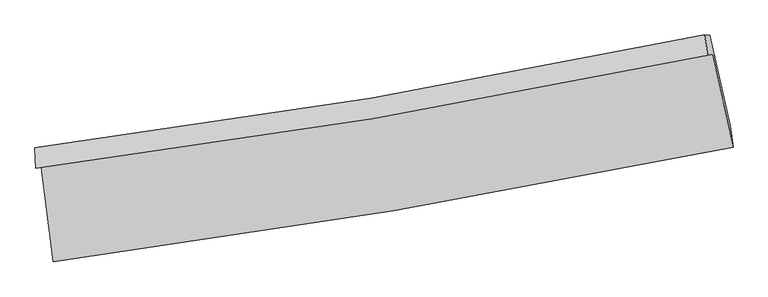
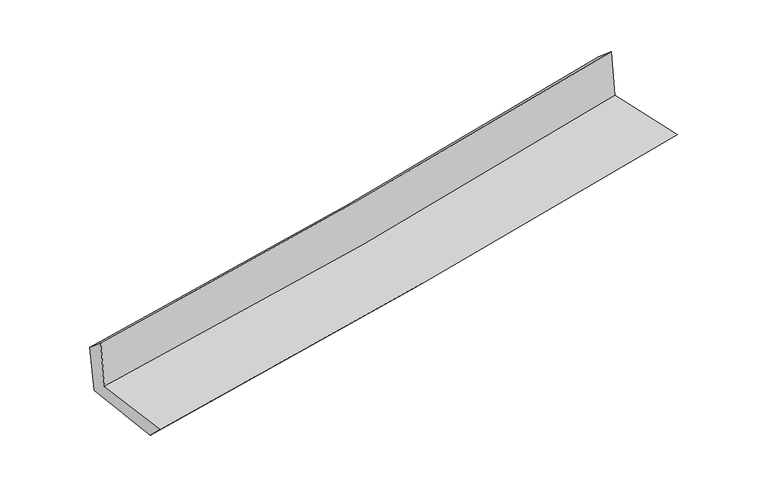
"""IFC4 building model written with IfcOpenShell, lengths in millimetres: proxy geometry."""

from ifc_helpers import new_model, si_unit, frame, origin, place, context, project, spatial, source, transform, mapped, element, save
from ifc_brep_helpers import plane_surface, spline_curve, spline_surface, advanced_brep


def generic_models_2e9e4eba(model_context):
    return source(origin(), model_context, "Body", "AdvancedBrep", [
        advanced_brep(
        [(-2360.7626845, -1878.9247747, 1677.0788803), (-2277.5551658, -2535.2550525, 1671.9557908), (2446.145273, -1738.4414053, 2107.2442725), (2304.7301192, -1092.1281641, 2106.898955), (-2396.6943325, -1886.5748844, 2073.5613798), (2268.7633097, -1099.7857599, 2503.7694382), (-2403.2140378, -1743.9599924, 1950.4451377), (2249.397147, -959.5115746, 2384.2810697), (-2366.9441978, -1744.7919062, 1561.8176311), (2284.9842293, -960.1892964, 2010.6469364), (-2281.8688389, -2400.0795595, 1535.2105292), (2425.0183617, -1591.0833629, 1989.9744004)],
        [
            (0, 1),
            (1, 2, spline_curve(3, [(-2277.5551658, -2535.2550525, 1671.9557908), (-1487.541824616, -2431.63459578, 1752.16120723), (-699.330693106, -2313.513524826, 1828.501795591), (875.244182079, -2047.973843971, 1973.61524556), (1661.599863497, -1900.490366134, 2042.370817689), (2446.145273, -1738.4414053, 2107.2442725)], [4, 2, 4], [0.0, 7.835005832107753, 15.687517002487576])),
            (2, 3),
            (3, 0, spline_curve(3, [(2304.7301192, -1092.1281641, 2106.898955), (1531.98430995, -1255.045042577, 2032.788997797), (756.383312951, -1402.12537823, 1959.877046021), (-798.793670837, -1664.320385811, 1816.60902326), (-1578.356941499, -1779.505587309, 1746.247616575), (-2360.7626845, -1878.9247747, 1677.0788803)], [4, 2, 4], [0.0, 7.852511170379823, 15.687517002487576])),
            (4, 0),
            (3, 5),
            (5, 4, spline_curve(3, [(2268.7633097, -1099.7857599, 2503.7694382), (1495.399965446, -1262.834116084, 2436.473579253), (719.493482174, -1409.979491875, 2366.932470677), (-835.67039109, -1672.171708281, 2223.51978523), (-1614.916455267, -1787.28937403, 2149.658207686), (-2396.6943325, -1886.5748844, 2073.5613798)], [4, 2, 4], [0.0, 7.803968545587752, 15.590539967339447])),
            (6, 4),
            (5, 7),
            (7, 6, spline_curve(3, [(2249.397147, -959.5115746, 2384.2810697), (1478.498717393, -1121.98272856, 2314.195857084), (704.896244847, -1268.644330684, 2242.95863002), (-845.986192718, -1530.056727853, 2098.341521874), (-1623.254114914, -1644.877931479, 2024.96677164), (-2403.2140378, -1743.9599924, 1950.4451377)], [4, 2, 4], [0.0, 7.79357688628495, 15.569779814509397])),
            (8, 6),
            (7, 9),
            (9, 8, spline_curve(3, [(2284.9842293, -960.1892964, 2010.6469364), (1514.672796124, -1122.702368881, 1933.011447837), (741.420517901, -1269.397785358, 1856.751057577), (-809.235388552, -1530.861543467, 1707.147413278), (-1586.625919149, -1645.700330538, 1633.798035098), (-2366.9441978, -1744.7919062, 1561.8176311)], [4, 2, 4], [0.0, 7.783759387538301, 15.550166702834892])),
            (10, 8),
            (9, 11),
            (11, 10, spline_curve(3, [(2425.0183617, -1591.0833629, 1989.9744004), (1644.303428452, -1753.25389382, 1911.485907848), (861.265079871, -1901.815568295, 1834.303840257), (-707.707667981, -2171.420359339, 1682.721701354), (-1493.631719388, -2292.524083644, 1608.31581213), (-2281.8688389, -2400.0795595, 1535.2105292)], [4, 2, 4], [0.0, 7.832225044227, 15.646989973358673])),
            (1, 10),
            (11, 2),
        ],
        [
            spline_surface(3, 3, [[(-2360.7626845, -1878.9247747, 1677.0788803), (-1578.356941617, -1779.505587226, 1746.24761669), (-798.793670764, -1664.320385938, 1816.609023216), (756.383312878, -1402.125378102, 1959.877046065), (1531.984309959, -1255.045042543, 2032.788997755), (2304.7301192, -1092.1281641, 2106.898955)], [(-2333.026844942, -2097.701533939, 1675.371183788), (-1548.085235924, -1996.881923426, 1748.218813522), (-765.639344857, -1880.718098895, 1820.573280696), (796.003602596, -1617.408200081, 1964.456445875), (1575.189494471, -1470.193483704, 2035.982937698), (2351.868503788, -1307.565911154, 2107.014060833)], [(-2305.291005358, -2316.478293261, 1673.663487312), (-1517.813530205, -2214.25825971, 1750.190010389), (-732.485018957, -2097.115811826, 1824.537538176), (835.623892306, -1832.691022035, 1969.035845685), (1618.394679021, -1685.341924905, 2039.176877644), (2399.006888412, -1523.003658246, 2107.129166667)], [(-2277.5551658, -2535.2550525, 1671.9557908), (-1487.541824513, -2431.63459591, 1752.16120722), (-699.33069305, -2313.513524783, 1828.501795655), (875.244182024, -2047.973844014, 1973.615245495), (1661.599863534, -1900.490366066, 2042.370817587), (2446.145273, -1738.4414053, 2107.2442725)]], [4, 4], [4, 2, 4], [0.0, 2.1547993562131174], [0.0, 7.835005832107753, 15.687517002487576]),
            spline_surface(3, 3, [[(-2396.6943325, -1886.5748844, 2073.5613798), (-1614.916455273, -1787.2893741, 2149.658207669), (-835.670391176, -1672.171708367, 2223.519785216), (719.493482261, -1409.979491788, 2366.932470691), (1495.39996555, -1262.834116025, 2436.473579316), (2268.7633097, -1099.7857599, 2503.7694382)], [(-2384.71711647, -1884.024847834, 1941.400546636), (-1602.729950691, -1784.694778475, 2015.188010679), (-823.37815102, -1669.554600868, 2087.882864546), (731.790092485, -1407.36145387, 2231.247329145), (1507.594747025, -1260.23775819, 2301.91205216), (2280.752246206, -1097.233227959, 2371.479277164)], [(-2372.73990053, -1881.474811266, 1809.239713464), (-1590.543446199, -1782.100182851, 1880.717813681), (-811.08591092, -1666.937493437, 1952.245943886), (744.086702654, -1404.74341602, 2095.56218761), (1519.789528483, -1257.641400378, 2167.350524911), (2292.741182694, -1094.680696041, 2239.189116036)], [(-2360.7626845, -1878.9247747, 1677.0788803), (-1578.356941617, -1779.505587226, 1746.24761669), (-798.793670764, -1664.320385938, 1816.609023216), (756.383312878, -1402.125378102, 1959.877046065), (1531.984309959, -1255.045042543, 2032.788997755), (2304.7301192, -1092.1281641, 2106.898955)]], [4, 4], [4, 2, 4], [0.0, 1.340966406557116], [0.0, 7.786571421751695, 15.590539967339447]),
            spline_surface(3, 3, [[(-2403.2140378, -1743.9599924, 1950.4451377), (-1623.254114966, -1644.877931519, 2024.966771759), (-845.986192724, -1530.056727813, 2098.341521992), (704.896244854, -1268.644330724, 2242.958629902), (1478.498717509, -1121.982728474, 2314.195856985), (2249.397147, -959.5115746, 2384.2810697)], [(-2401.040802703, -1791.49828974, 1991.483885077), (-1620.474895071, -1692.348412386, 2066.530583739), (-842.547592239, -1577.428388001, 2140.067609737), (709.761990625, -1315.756051083, 2284.283243502), (1484.132466842, -1168.933190984, 2354.955097744), (2255.852534552, -1006.26963636, 2424.110525849)], [(-2398.867567597, -1839.03658706, 2032.522632423), (-1617.695675167, -1739.818893233, 2108.094395689), (-839.108991661, -1624.800048179, 2181.793697471), (714.62773649, -1362.86777143, 2325.607857091), (1489.766216217, -1215.883653515, 2395.714338557), (2262.307922148, -1053.02769814, 2463.939982051)], [(-2396.6943325, -1886.5748844, 2073.5613798), (-1614.916455273, -1787.2893741, 2149.658207669), (-835.670391176, -1672.171708367, 2223.519785216), (719.493482261, -1409.979491788, 2366.932470691), (1495.39996555, -1262.834116025, 2436.473579316), (2268.7633097, -1099.7857599, 2503.7694382)]], [4, 4], [4, 2, 4], [0.0, 0.6204161907717602], [0.0, 7.776202928224447, 15.569779814509397]),
            spline_surface(3, 3, [[(-2366.9441978, -1744.7919062, 1561.8176311), (-1586.625919075, -1645.700330601, 1633.798035043), (-809.235388454, -1530.861543578, 1707.147413246), (741.420517802, -1269.397785247, 1856.751057609), (1514.672796249, -1122.702368987, 1933.011447806), (2284.9842293, -960.1892964, 2010.6469364)], [(-2379.034144486, -1744.514601597, 1691.36013331), (-1598.835317725, -1645.426197571, 1764.187613958), (-821.48565654, -1530.593271661, 1837.545449506), (729.245760156, -1269.146633745, 1985.486915051), (1502.614770019, -1122.462488816, 2060.072917534), (2273.12186855, -959.963389134, 2135.191647502)], [(-2391.124091114, -1744.237297003, 1820.90263549), (-1611.044716316, -1645.152064549, 1894.577192844), (-833.735924638, -1530.324999729, 1967.943485732), (717.071002499, -1268.895482227, 2114.22277246), (1490.556743739, -1122.222608644, 2187.134387257), (2261.25950775, -959.737481866, 2259.736358598)], [(-2403.2140378, -1743.9599924, 1950.4451377), (-1623.254114966, -1644.877931519, 2024.966771759), (-845.986192724, -1530.056727813, 2098.341521992), (704.896244854, -1268.644330724, 2242.958629902), (1478.498717509, -1121.982728474, 2314.195856985), (2249.397147, -959.5115746, 2384.2810697)]], [4, 4], [4, 2, 4], [0.0, 1.2809018631543458], [0.0, 7.766407315296591, 15.550166702834892]),
            spline_surface(3, 3, [[(-2281.8688389, -2400.0795595, 1535.2105292), (-1493.631719452, -2292.524083567, 1608.315812073), (-707.707667894, -2171.420359304, 1682.721701393), (861.265079783, -1901.815568331, 1834.303840219), (1644.303428425, -1753.253893735, 1911.485907957), (2425.0183617, -1591.0833629, 1989.9744004)], [(-2310.227291859, -2181.650341734, 1544.079563162), (-1524.629785985, -2076.916165912, 1616.809886391), (-741.550241388, -1957.900754058, 1690.863605331), (821.316892482, -1691.009640633, 1841.786246003), (1601.09321769, -1543.070052165, 1918.661087914), (2378.340317557, -1380.785340746, 1996.865245741)], [(-2338.585744841, -1963.221123966, 1552.948597138), (-1555.627852542, -1861.308248256, 1625.303960725), (-775.39281496, -1744.381148823, 1699.005509308), (781.368705103, -1480.203712945, 1849.268651825), (1557.883006984, -1332.886210557, 1925.836267849), (2331.662273443, -1170.487318554, 2003.756091059)], [(-2366.9441978, -1744.7919062, 1561.8176311), (-1586.625919075, -1645.700330601, 1633.798035043), (-809.235388454, -1530.861543578, 1707.147413246), (741.420517802, -1269.397785247, 1856.751057609), (1514.672796249, -1122.702368987, 1933.011447806), (2284.9842293, -960.1892964, 2010.6469364)]], [4, 4], [4, 2, 4], [0.0, 2.120932727681633], [0.0, 7.814764929131673, 15.646989973358673]),
            spline_surface(3, 3, [[(-2277.5551658, -2535.2550525, 1671.9557908), (-1487.541824513, -2431.63459591, 1752.16120722), (-699.33069305, -2313.513524783, 1828.501795655), (875.244182024, -2047.973844014, 1973.615245495), (1661.599863534, -1900.490366066, 2042.370817587), (2446.145273, -1738.4414053, 2107.2442725)], [(-2278.993056839, -2490.196554857, 1626.374036927), (-1489.571789498, -2385.264425152, 1704.212742165), (-702.123018018, -2266.149136298, 1779.908430903), (870.584481256, -1999.254418795, 1927.178110405), (1655.834385178, -1851.41154197, 1998.742514355), (2439.102969247, -1689.322057848, 2068.154315112)], [(-2280.430947861, -2445.138057143, 1580.792283073), (-1491.601754466, -2338.894254325, 1656.264277128), (-704.915342926, -2218.784747788, 1731.315066145), (865.92478055, -1950.53499355, 1880.740975309), (1650.068906781, -1802.33271783, 1955.114211188), (2432.060665453, -1640.202710352, 2029.064357788)], [(-2281.8688389, -2400.0795595, 1535.2105292), (-1493.631719452, -2292.524083567, 1608.315812073), (-707.707667894, -2171.420359304, 1682.721701393), (861.265079783, -1901.815568331, 1834.303840219), (1644.303428425, -1753.253893735, 1911.485907957), (2425.0183617, -1591.0833629, 1989.9744004)]], [4, 4], [4, 2, 4], [0.0, 0.6660658157742922], [0.0, 7.872933096676807, 15.76345627050275]),
            plane_surface(frame((2329.83974, -1240.1899272, 2183.802512), z_axis=(0.9727124141103409, 0.2128815039804273, 0.09226063461013075), x_axis=(-0.09481653998975828, 0.0018056899298422168, 0.9954931256559474))),
            plane_surface(frame((-2347.8398762, -2031.597695, 1745.0115581), z_axis=(-0.9879471797658537, -0.12453125630705342, -0.09193658790320078), x_axis=(-0.12576644565237802, 0.9920296569271033, 0.007743444005171985))),
        ],
        [
            (0, [[1, 2, 3, 4]]),
            (1, [[5, -4, 6, 7]]),
            (2, [[8, -7, 9, 10]]),
            (3, [[11, -10, 12, 13]]),
            (4, [[14, -13, 15, 16]]),
            (5, [[17, -16, 18, -2]]),
            (6, [[-12, -9, -6, -3, -18, -15]]),
            (7, [[-1, -5, -8, -11, -14, -17]]),
        ],
    ),
    ])


if __name__ == "__main__":
    model = new_model("IFC4")
    model_context = context("Model", 3, world=origin())
    ifc_project = project(units=[si_unit("LENGTHUNIT", "METRE", prefix="MILLI")], contexts=[model_context])
    site = spatial("IfcSite", under=ifc_project)
    building = spatial("IfcBuilding", under=site)
    placement = place(None, origin())
    generic_models_shape = generic_models_2e9e4eba(model_context)
    element("IfcBuildingElementProxy", 1, Name="Generic Models", at=placement, inside=building, context=model_context, shape_type="MappedRepresentation", body=[
        mapped(generic_models_shape, transform((0.0, 0.0, 0.0), x_axis=(1.0, 0.0, 0.0), y_axis=(0.0, 1.0, 0.0), z_axis=(0.0, 0.0, 1.0))),
    ])
    save(model, "model.ifc")
